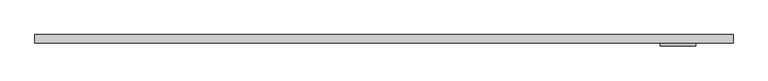
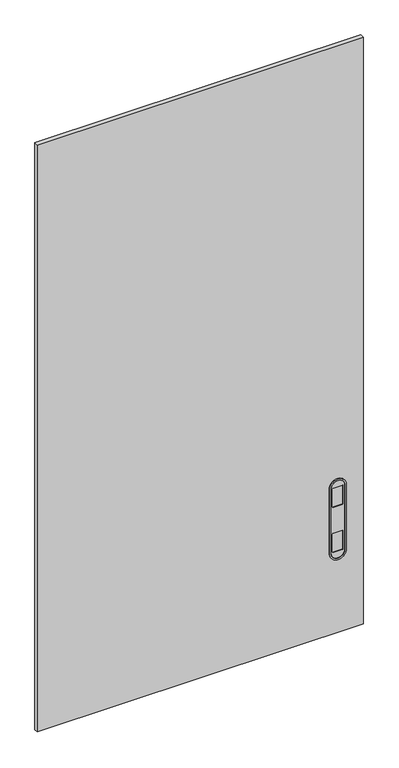
"""IFC4 building model written with IfcOpenShell, lengths in millimetres: furniture geometry."""

from ifc_helpers import new_model, si_unit, point, frame, frame_2d, origin, place, context, project, spatial, polyline, circle_curve, trimmed, segment, composite_curve, outline, extrude, source, transform, mapped, element, save


def furniture_cc2ebda6(model_context):
    return source(origin(), model_context, "Body", "SweptSolid", [
        extrude(outline(polyline([(1066.8, -50.8000015), (0.0, -50.8000015), (0.0, -38.1), (1066.8, -38.1), (1066.8, -50.8000015)])), frame((0.0, 0.0, 139.700003), z_axis=(0.0, 0.0, 1.0), x_axis=(1.0, 0.0, 0.0)), (0.0, 0.0, 1.0), 2031.999997),
        extrude(outline(composite_curve([segment(polyline([(422.2598556, 1004.6462036), (646.294894, 1004.6462036)]), True, "CONTINUOUS"), segment(trimmed(circle_curve(frame_2d((646.294894, 982.4720055)), 22.1741981), [point((646.294894, 1004.6462036))], [point((646.294894, 960.2978074))], False, "CARTESIAN"), True, "CONTINUOUS"), segment(polyline([(646.294894, 960.2978074), (422.2598556, 960.2978074)]), True, "CONTINUOUS"), segment(trimmed(circle_curve(frame_2d((422.2598556, 982.4720055)), 22.1741981), [point((422.2598556, 960.2978074))], [point((422.2598556, 1004.6462036))], False, "CARTESIAN"), True, "CONTINUOUS")], self_intersect=False), holes=[composite_curve([segment(trimmed(circle_curve(frame_2d((486.4365488, 997.0770118)), 2.54), [point((488.9765488, 997.0770118))], [point((486.4365488, 999.6170118))], True, "CARTESIAN"), True, "CONTINUOUS"), segment(polyline([(486.4365488, 999.6170118), (425.8945005, 999.6170118)]), True, "CONTINUOUS"), segment(trimmed(circle_curve(frame_2d((425.8945005, 997.0770118)), 2.54), [point((425.8945005, 999.6170118))], [point((423.3545005, 997.0770118))], True, "CARTESIAN"), True, "CONTINUOUS"), segment(polyline([(423.3545005, 997.0770118), (423.3545005, 967.8670082)]), True, "CONTINUOUS"), segment(trimmed(circle_curve(frame_2d((425.8945005, 967.8670082)), 2.54), [point((423.3545005, 967.8670082))], [point((425.8945005, 965.3270082))], True, "CARTESIAN"), True, "CONTINUOUS"), segment(polyline([(425.8945005, 965.3270082), (486.4365488, 965.3270082)]), True, "CONTINUOUS"), segment(trimmed(circle_curve(frame_2d((486.4365488, 967.8670082)), 2.54), [point((486.4365488, 965.3270082))], [point((488.9765488, 967.8670082))], True, "CARTESIAN"), True, "CONTINUOUS"), segment(polyline([(488.9765488, 967.8670082), (488.9765488, 997.0770118)]), True, "CONTINUOUS")], self_intersect=False), composite_curve([segment(trimmed(circle_curve(frame_2d((642.9744503, 997.0770118)), 2.54), [point((645.5144503, 997.0770118))], [point((642.9744503, 999.6170118))], True, "CARTESIAN"), True, "CONTINUOUS"), segment(polyline([(642.9744503, 999.6170118), (582.432402, 999.6170118)]), True, "CONTINUOUS"), segment(trimmed(circle_curve(frame_2d((582.432402, 997.0770118)), 2.54), [point((582.432402, 999.6170118))], [point((579.892402, 997.0770118))], True, "CARTESIAN"), True, "CONTINUOUS"), segment(polyline([(579.892402, 997.0770118), (579.892402, 967.8670082)]), True, "CONTINUOUS"), segment(trimmed(circle_curve(frame_2d((582.432402, 967.8670082)), 2.54), [point((579.892402, 967.8670082))], [point((582.432402, 965.3270082))], True, "CARTESIAN"), True, "CONTINUOUS"), segment(polyline([(582.432402, 965.3270082), (642.9744503, 965.3270082)]), True, "CONTINUOUS"), segment(trimmed(circle_curve(frame_2d((642.9744503, 967.8670082)), 2.54), [point((642.9744503, 965.3270082))], [point((645.5144503, 967.8670082))], True, "CARTESIAN"), True, "CONTINUOUS"), segment(polyline([(645.5144503, 967.8670082), (645.5144503, 997.0770118)]), True, "CONTINUOUS")], self_intersect=False)]), frame((0.0, -52.8320015, 0.0), z_axis=(0.0, 1.0, 0.0), x_axis=(0.0, 0.0, 1.0)), (0.0, 0.0, 1.0), 2.032),
        extrude(outline(composite_curve([segment(trimmed(circle_curve(frame_2d((646.294894, 982.4720055)), 27.2541981), [point((646.294894, 1009.7262036))], [point((646.294894, 955.2178074))], False, "CARTESIAN"), True, "CONTINUOUS"), segment(polyline([(646.294894, 955.2178074), (422.2598556, 955.2178074)]), True, "CONTINUOUS"), segment(trimmed(circle_curve(frame_2d((422.2598556, 982.4720055)), 27.2541981), [point((422.2598556, 955.2178074))], [point((422.2598556, 1009.7262036))], False, "CARTESIAN"), True, "CONTINUOUS"), segment(polyline([(422.2598556, 1009.7262036), (646.294894, 1009.7262036)]), True, "CONTINUOUS")], self_intersect=False), holes=[composite_curve([segment(polyline([(646.294894, 1004.6462036), (422.2598556, 1004.6462036)]), True, "CONTINUOUS"), segment(trimmed(circle_curve(frame_2d((422.2598556, 982.4720055)), 22.1741981), [point((422.2598556, 1004.6462036))], [point((422.2598556, 960.2978074))], True, "CARTESIAN"), True, "CONTINUOUS"), segment(polyline([(422.2598556, 960.2978074), (646.294894, 960.2978074)]), True, "CONTINUOUS"), segment(trimmed(circle_curve(frame_2d((646.294894, 982.4720055)), 22.1741981), [point((646.294894, 960.2978074))], [point((646.294894, 1004.6462036))], True, "CARTESIAN"), True, "CONTINUOUS")], self_intersect=False)]), frame((0.0, -55.1180015, 0.0), z_axis=(0.0, 1.0, 0.0), x_axis=(0.0, 0.0, 1.0)), (0.0, 0.0, 1.0), 4.318),
    ])


if __name__ == "__main__":
    model = new_model("IFC4")
    model_context = context("Model", 3, world=origin())
    ifc_project = project(units=[si_unit("LENGTHUNIT", "METRE", prefix="MILLI")], contexts=[model_context])
    site = spatial("IfcSite", under=ifc_project)
    building = spatial("IfcBuilding", under=site)
    placement = place(None, origin())
    furniture_shape = furniture_cc2ebda6(model_context)
    element("IfcFurniture", 1, at=placement, inside=building, context=model_context, shape_type="MappedRepresentation", body=[
        mapped(furniture_shape, transform((0.0, 0.0, 0.0), x_axis=(1.0, 0.0, 0.0), y_axis=(0.0, 1.0, 0.0), z_axis=(0.0, 0.0, 1.0))),
    ])
    save(model, "model.ifc")
